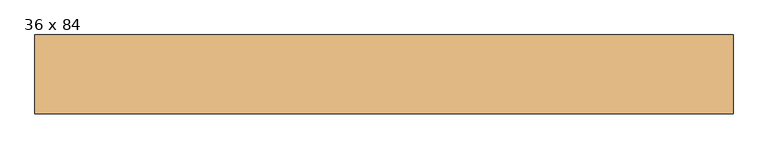
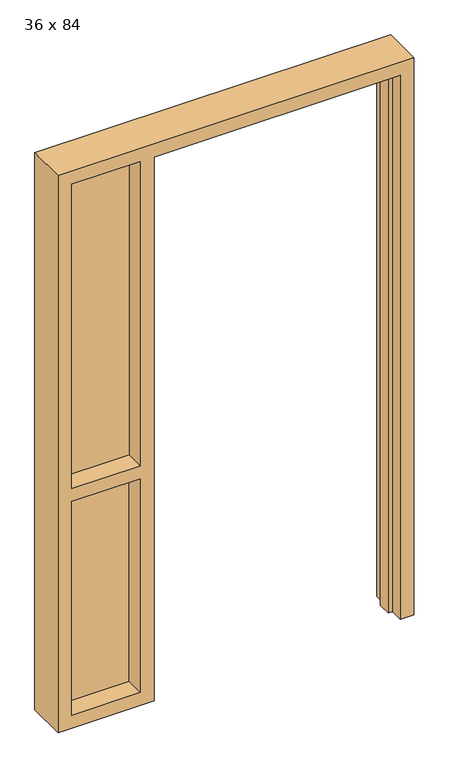
"""IFC4 building model written with IfcOpenShell, lengths in millimetres: door geometry, 36 x 84."""

from ifc_helpers import new_model, si_unit, frame, origin, place, context, project, spatial, polyline, outline, extrude, source, transform, mapped, element, save


def door_36_x_84_4c685a20(model_context):
    return source(origin(), model_context, "Body", "SweptSolid", [
        extrude(outline(polyline([(-508.0, 4.7625), (-762.0, 4.7625), (-762.0, 11.1125), (-508.0, 11.1125), (-508.0, 4.7625)])), frame((0.0, 0.0, 939.8), z_axis=(0.0, 0.0, 1.0), x_axis=(1.0, 0.0, 0.0)), (0.0, 0.0, 1.0), 1193.8),
        extrude(outline(polyline([(0.0, 457.2), (0.0, 508.0), (2184.4, 508.0), (2184.4, -812.8), (0.0, -812.8), (0.0, -457.2), (2133.6, -457.2), (2133.6, 457.2), (0.0, 457.2)]), holes=[polyline([(939.8, -762.0), (2133.6, -762.0), (2133.6, -508.0), (939.8, -508.0), (939.8, -762.0)]), polyline([(889.0, -508.0), (50.8, -508.0), (50.8, -762.0), (889.0, -762.0), (889.0, -508.0)])]), frame((0.0, -66.675, 0.0), z_axis=(0.0, 1.0, 0.0), x_axis=(0.0, 0.0, 1.0)), (0.0, 0.0, 1.0), 149.225),
        extrude(outline(polyline([(0.0, 441.325), (0.0, 457.2), (2133.6, 457.2), (2133.6, -457.2), (0.0, -457.2), (0.0, -441.325), (2117.725, -441.325), (2117.725, 441.325), (0.0, 441.325)])), frame((0.0, -17.4625, 0.0), z_axis=(0.0, 1.0, 0.0), x_axis=(0.0, 0.0, 1.0)), (0.0, 0.0, 1.0), 50.8),
        extrude(outline(polyline([(-508.0, 4.7625), (-762.0, 4.7625), (-762.0, 11.1125), (-508.0, 11.1125), (-508.0, 4.7625)])), frame((0.0, 0.0, 50.8), z_axis=(0.0, 0.0, 1.0), x_axis=(1.0, 0.0, 0.0)), (0.0, 0.0, 1.0), 838.2),
    ])


if __name__ == "__main__":
    model = new_model("IFC4")
    model_context = context("Model", 3, world=origin())
    ifc_project = project(units=[si_unit("LENGTHUNIT", "METRE", prefix="MILLI")], contexts=[model_context])
    site = spatial("IfcSite", under=ifc_project)
    building = spatial("IfcBuilding", under=site)
    placement = place(None, origin())
    door_36_x_84_shape = door_36_x_84_4c685a20(model_context)
    element("IfcDoor", 1, ObjectType="36 x 84", at=placement, inside=building, context=model_context, shape_type="MappedRepresentation", body=[
        mapped(door_36_x_84_shape, transform((0.0, 0.0, 0.0), x_axis=(1.0, 0.0, 0.0), y_axis=(0.0, 1.0, 0.0), z_axis=(0.0, 0.0, 1.0))),
    ])
    save(model, "model.ifc")
